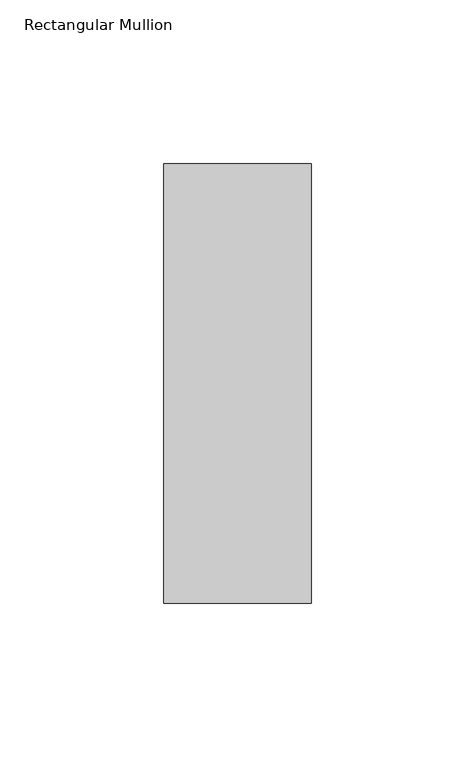
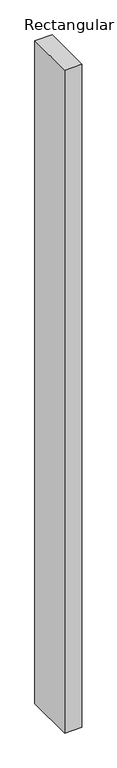
"""IFC4 building model written with IfcOpenShell, lengths in millimetres: member geometry, Rectangular Mullion."""

from ifc_helpers import new_model, si_unit, frame, origin, place, context, project, spatial, polyline, outline, extrude, source, transform, mapped, element, save


def rectangular_mullion_56777795(model_context):
    return source(origin(), model_context, "Body", "SweptSolid", [
        extrude(outline(polyline([(22.5, 82.60625), (22.5, -51.60625), (-22.5, -51.60625), (-22.5, 82.60625), (22.5, 82.60625)])), frame((0.0, 0.0, -1828.8), z_axis=(0.0, 0.0, 1.0), x_axis=(1.0, 0.0, 0.0)), (0.0, 0.0, 1.0), 1828.8),
    ])


if __name__ == "__main__":
    model = new_model("IFC4")
    model_context = context("Model", 3, world=origin())
    ifc_project = project(units=[si_unit("LENGTHUNIT", "METRE", prefix="MILLI")], contexts=[model_context])
    site = spatial("IfcSite", under=ifc_project)
    building = spatial("IfcBuilding", under=site)
    placement = place(None, origin())
    rectangular_mullion_shape = rectangular_mullion_56777795(model_context)
    element("IfcMember", 1, ObjectType="Rectangular Mullion", at=placement, inside=building, context=model_context, shape_type="MappedRepresentation", body=[
        mapped(rectangular_mullion_shape, transform((0.0, 0.0, 0.0), x_axis=(1.0, 0.0, 0.0), y_axis=(0.0, 1.0, 0.0), z_axis=(0.0, 0.0, 1.0))),
    ])
    save(model, "model.ifc")
